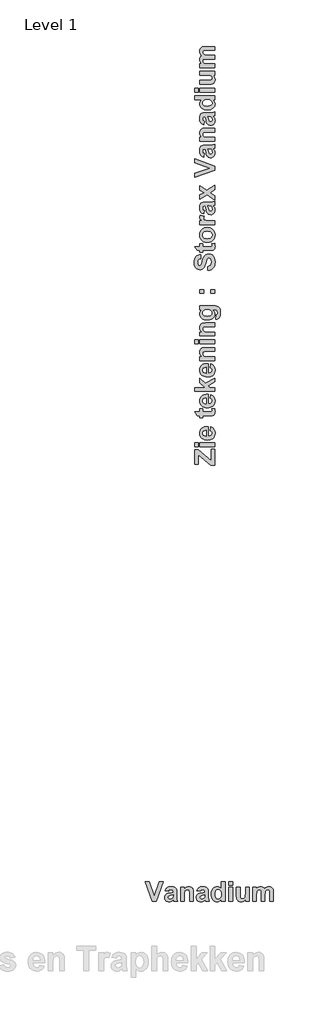
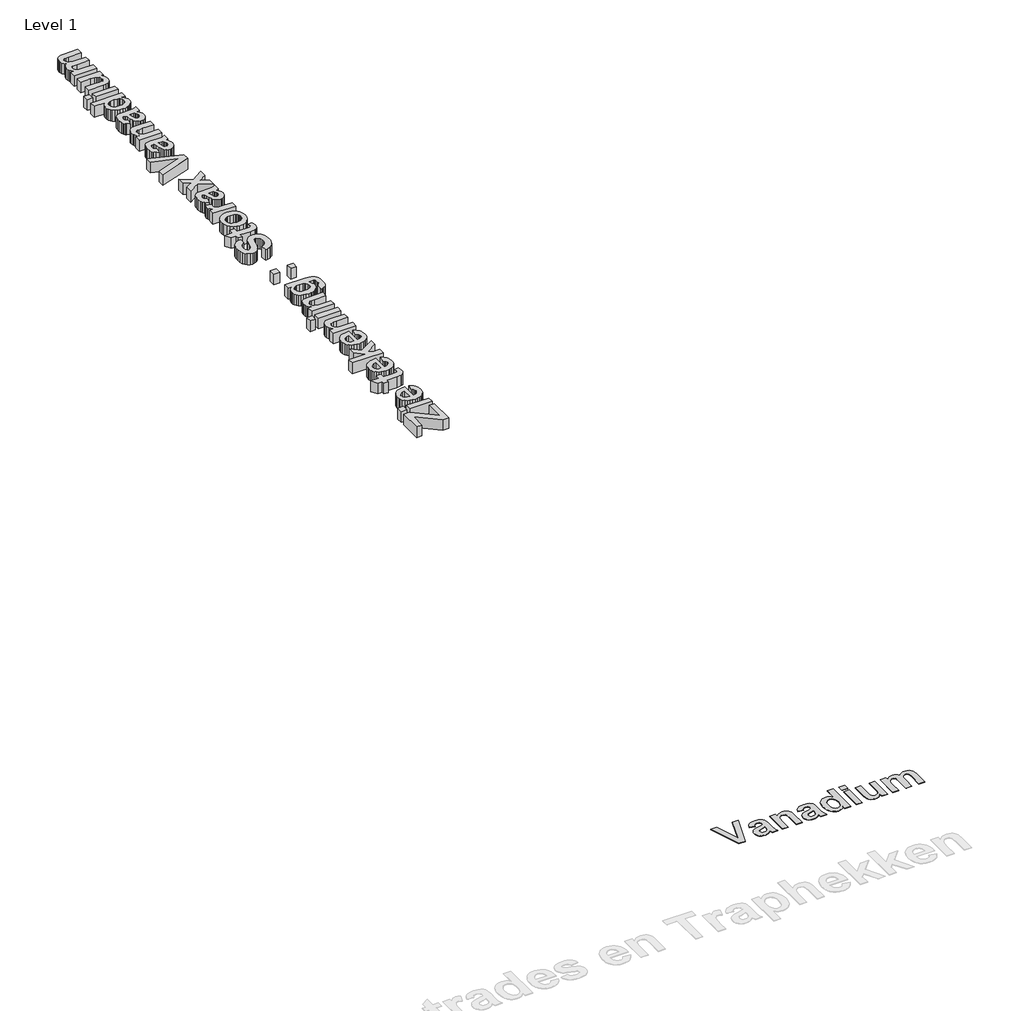
# One storey, part 10 of 16: 2 proxies.
"""IFC4 building model written with IfcOpenShell, lengths in millimetres."""

from ifc_helpers import new_model, si_unit, origin, origin_with_axes, place, context, project, spatial, polyline, outline, extrude, element, save

model = new_model("IFC4")

# Units and contexts
model_context = context("Model", 3, world=origin())
ifc_project = project(units=[si_unit("LENGTHUNIT", "METRE", prefix="MILLI")], contexts=[model_context])

# Site, building, storey
site = spatial("IfcSite", under=ifc_project)
building = spatial("IfcBuilding", under=site)
storey = spatial("IfcBuildingStorey", under=building, Name="Level 1", Elevation=0.0)

# Proxies
placement = place(None, origin())
element("IfcBuildingElementProxy", 1, Name="400mm", ObjectType="400mm", at=placement, inside=storey, context=model_context, shape_type="SweptSolid", body=[
    extrude(outline(polyline([(28361.5575428, -15738.0938306), (28226.7361143, -15338.0938306), (28307.0932571, -15338.0938306), (28407.6884952, -15636.506529), (28508.5813524, -15338.0938306), (28588.6408762, -15338.0938306), (28446.6765904, -15738.0938306), (28361.5575428, -15738.0938306)])), origin_with_axes(), (0.0, 0.0, 1.0), 5.0),
    extrude(outline(polyline([(28696.5773841, -15534.9192274), (28626.7361143, -15522.2208147), (28641.8774833, -15485.6136718), (28652.4708613, -15471.4023623), (28665.0793682, -15459.9192274), (28680.341645, -15451.0650607), (28698.8963325, -15444.740656), (28745.8829397, -15439.6811322), (28788.3680587, -15442.7441282), (28818.4027809, -15451.9331163), (28838.6904793, -15465.8220052), (28851.934527, -15482.9847036), (28859.2261936, -15509.6588107), (28861.6567492, -15552.0819258), (28861.6567492, -15642.1612909), (28865.6746063, -15698.9073226), (28880.7043682, -15738.0938306), (28804.513892, -15738.0938306), (28797.3710349, -15713.8874814), (28794.6924635, -15704.2644655), (28774.9752016, -15721.8115885), (28753.9186539, -15734.3735925), (28731.4732174, -15741.9256758), (28707.5892889, -15744.4430369), (28687.013272, -15742.9146391), (28668.7376024, -15738.3294456), (28652.7622799, -15730.6874566), (28639.0873047, -15719.9886718), (28628.1281033, -15706.9585379), (28620.3001024, -15692.3225012), (28615.6033018, -15676.0805617), (28614.0377016, -15658.2327195), (28616.8278801, -15634.8696242), (28625.1984158, -15614.1851004), (28638.6036738, -15597.0968068), (28656.498019, -15584.522402), (28681.076392, -15574.8745845), (28714.5337333, -15566.5660528), (28757.8621063, -15556.7694258), (28785.466273, -15547.6176401), (28785.466273, -15539.5819258), (28783.0977214, -15519.7902591), (28775.9920666, -15506.6454179), (28762.3387928, -15499.2793464), (28740.3273841, -15496.8239893), (28724.528773, -15498.9321242), (28712.6488127, -15505.256529), (28703.6706381, -15516.8884734), (28696.5773841, -15534.9192274)]), holes=[polyline([(28785.466273, -15604.7604972), (28742.5099238, -15615.3259734), (28704.0178603, -15627.3795449), (28693.6755984, -15638.2178385), (28690.2281778, -15651.6851004), (28692.9935547, -15665.1895647), (28701.2896857, -15676.7347036), (28713.8516897, -15684.6588107), (28729.4146857, -15687.3001798), (28748.0902809, -15684.2247829), (28765.8234158, -15674.9985925), (28776.4880984, -15664.631529), (28782.6884952, -15652.1811322), (28785.466273, -15618.5501798), (28785.466273, -15604.7604972)])]), origin_with_axes(), (0.0, 0.0, 1.0), 5.0),
    extrude(outline(polyline([(29198.1646857, -15738.0938306), (29121.9742095, -15738.0938306), (29121.9742095, -15587.9946242), (29120.7837333, -15548.7089099), (29117.2123047, -15526.288275), (29110.9375031, -15513.8626798), (29101.6369079, -15504.5620845), (29089.7569476, -15498.7585131), (29075.7440508, -15496.8239893), (29057.3040706, -15499.5893663), (29040.873019, -15507.8854972), (29027.8769873, -15520.757521), (29019.7420666, -15537.2505766), (29015.4637928, -15563.3046441), (29014.0377016, -15604.8597036), (29014.0377016, -15738.0938306), (28937.8472254, -15738.0938306), (28937.8472254, -15446.0303385), (29014.0377016, -15446.0303385), (29014.0377016, -15488.0938306), (29033.3147353, -15466.913275), (29054.935519, -15451.7843068), (29078.9000528, -15442.7069258), (29105.2083365, -15439.6811322), (29128.373019, -15441.9876798), (29149.4543682, -15448.9073226), (29167.0634952, -15459.3983941), (29179.8115111, -15472.4192274), (29188.5540706, -15487.6598028), (29194.1468285, -15504.8101004), (29198.1646857, -15556.7446242), (29198.1646857, -15738.0938306)])), origin_with_axes(), (0.0, 0.0, 1.0), 5.0),
    extrude(outline(polyline([(29337.8472254, -15534.9192274), (29268.0059555, -15522.2208147), (29283.1473246, -15485.6136718), (29293.7407026, -15471.4023623), (29306.3492095, -15459.9192274), (29321.6114863, -15451.0650607), (29340.1661738, -15444.740656), (29387.1527809, -15439.6811322), (29429.6379, -15442.7441282), (29459.6726222, -15451.9331163), (29479.9603206, -15465.8220052), (29493.2043682, -15482.9847036), (29500.4960349, -15509.6588107), (29502.9265904, -15552.0819258), (29502.9265904, -15642.1612909), (29506.9444476, -15698.9073226), (29521.9742095, -15738.0938306), (29445.7837333, -15738.0938306), (29438.6408762, -15713.8874814), (29435.9623047, -15704.2644655), (29416.2450428, -15721.8115885), (29395.1884952, -15734.3735925), (29372.7430587, -15741.9256758), (29348.8591301, -15744.4430369), (29328.2831133, -15742.9146391), (29310.0074436, -15738.3294456), (29294.0321212, -15730.6874566), (29280.357146, -15719.9886718), (29269.3979446, -15706.9585379), (29261.5699436, -15692.3225012), (29256.873143, -15676.0805617), (29255.3075428, -15658.2327195), (29258.0977214, -15634.8696242), (29266.4682571, -15614.1851004), (29279.8735151, -15597.0968068), (29297.7678603, -15584.522402), (29322.3462333, -15574.8745845), (29355.8035746, -15566.5660528), (29399.1319476, -15556.7694258), (29426.7361143, -15547.6176401), (29426.7361143, -15539.5819258), (29424.3675627, -15519.7902591), (29417.2619079, -15506.6454179), (29403.6086341, -15499.2793464), (29381.5972254, -15496.8239893), (29365.7986143, -15498.9321242), (29353.9186539, -15505.256529), (29344.9404793, -15516.8884734), (29337.8472254, -15534.9192274)]), holes=[polyline([(29426.7361143, -15604.7604972), (29383.7797651, -15615.3259734), (29345.2877016, -15627.3795449), (29334.9454397, -15638.2178385), (29331.498019, -15651.6851004), (29334.263396, -15665.1895647), (29342.559527, -15676.7347036), (29355.1215309, -15684.6588107), (29370.684527, -15687.3001798), (29389.3601222, -15684.2247829), (29407.0932571, -15674.9985925), (29417.7579397, -15664.631529), (29423.9583365, -15652.1811322), (29426.7361143, -15618.5501798), (29426.7361143, -15604.7604972)])]), origin_with_axes(), (0.0, 0.0, 1.0), 5.0),
    extrude(outline(polyline([(29839.434527, -15738.0938306), (29763.2440508, -15738.0938306), (29763.2440508, -15696.0303385), (29744.6552611, -15717.396906), (29723.0158762, -15732.4886718), (29699.7643881, -15741.4544456), (29676.3392889, -15744.4430369), (29653.2397105, -15741.913275), (29631.857642, -15734.3239893), (29612.1930835, -15721.6751798), (29594.2460349, -15703.9668464), (29579.2937779, -15681.726023), (29568.6135944, -15655.4797433), (29562.2054843, -15625.2280072), (29560.0694476, -15590.9708147), (29562.2023841, -15556.1369853), (29568.6011936, -15525.7426401), (29579.2658762, -15499.787779), (29594.1964317, -15478.272402), (29612.388396, -15461.3887214), (29632.8373047, -15449.3289496), (29655.5431579, -15442.0930865), (29680.5059555, -15439.6811322), (29703.6086341, -15442.1798921), (29725.0992095, -15449.6761718), (29744.9776817, -15462.1699714), (29763.2440508, -15479.6612909), (29763.2440508, -15338.0938306), (29839.434527, -15338.0938306), (29839.434527, -15738.0938306)]), holes=[polyline([(29636.2599238, -15586.506529), (29639.434527, -15627.9747829), (29648.9583365, -15656.1493861), (29659.0463821, -15669.7778583), (29670.9573444, -15679.5124814), (29684.6912234, -15685.3532552), (29700.248019, -15687.3001798), (29724.5535746, -15681.459406), (29744.8908762, -15663.9370845), (29752.9203901, -15650.8139447), (29758.6557571, -15634.8076202), (29763.2440508, -15594.1454179), (29758.7921658, -15549.6141679), (29753.2273097, -15532.7893911), (29745.4365111, -15519.5918464), (29725.1116103, -15502.5159536), (29699.7519873, -15496.8239893), (29674.9504, -15502.4539496), (29654.513892, -15519.3438306), (29646.5277809, -15531.9864397), (29640.8234158, -15547.3944258), (29636.2599238, -15586.506529)])]), origin_with_axes(), (0.0, 0.0, 1.0), 5.0),
    extrude(outline(polyline([(29915.6250031, -15407.9351004), (29915.6250031, -15338.0938306), (29991.8154793, -15338.0938306), (29991.8154793, -15407.9351004), (29915.6250031, -15407.9351004)])), origin_with_axes(), (0.0, 0.0, 1.0), 5.0),
    extrude(outline(polyline([(29915.6250031, -15738.0938306), (29915.6250031, -15446.0303385), (29991.8154793, -15446.0303385), (29991.8154793, -15738.0938306), (29915.6250031, -15738.0938306)])), origin_with_axes(), (0.0, 0.0, 1.0), 5.0),
    extrude(outline(polyline([(30252.1329397, -15738.0938306), (30252.1329397, -15695.2366877), (30234.5858166, -15715.710398), (30212.3015904, -15731.2981956), (30186.9419674, -15741.1568266), (30160.1686539, -15744.4430369), (30133.7053603, -15741.2188306), (30110.0694476, -15731.5462115), (30090.9226222, -15716.0328187), (30077.9265904, -15695.2862909), (30070.4861143, -15667.4465091), (30068.0059555, -15630.6533544), (30068.0059555, -15446.0303385), (30144.1964317, -15446.0303385), (30144.1964317, -15581.0501798), (30145.2256976, -15631.037779), (30148.3134952, -15656.9926401), (30154.1418682, -15669.4926401), (30163.3928603, -15679.115656), (30175.8308563, -15685.2540488), (30191.2202412, -15687.3001798), (30209.4618087, -15684.5720052), (30225.6944476, -15676.3874814), (30238.5168682, -15664.147898), (30246.5277809, -15649.2545449), (30250.73165, -15621.3155568), (30252.1329397, -15569.9390687), (30252.1329397, -15446.0303385), (30328.3234158, -15446.0303385), (30328.3234158, -15738.0938306), (30252.1329397, -15738.0938306)])), origin_with_axes(), (0.0, 0.0, 1.0), 5.0),
    extrude(outline(polyline([(30398.1646857, -15446.0303385), (30474.3551619, -15446.0303385), (30474.3551619, -15485.1176401), (30493.1113623, -15465.2391679), (30513.5664714, -15451.0402591), (30535.7204893, -15442.5209139), (30559.5734158, -15439.6811322), (30584.1145865, -15442.4713107), (30605.1587333, -15450.8418464), (30622.7306579, -15464.8671441), (30636.8551619, -15484.6216083), (30656.3616103, -15464.8671441), (30677.3809555, -15450.8418464), (30699.888396, -15442.4713107), (30723.8591301, -15439.6811322), (30752.8025825, -15442.9425409), (30776.934527, -15452.7267671), (30795.9325428, -15468.835398), (30809.4742095, -15491.070021), (30815.2777809, -15515.4995845), (30817.2123047, -15551.4866877), (30817.2123047, -15738.0938306), (30741.0218285, -15738.0938306), (30741.0218285, -15569.9390687), (30739.0873047, -15533.9519655), (30733.2837333, -15513.490656), (30720.138892, -15500.990656), (30701.3392889, -15496.8239893), (30686.1235151, -15499.3165488), (30671.8254, -15506.7942274), (30659.9206381, -15519.0834139), (30651.8849238, -15536.0104972), (30647.3090309, -15560.8368861), (30645.7837333, -15596.8239893), (30645.7837333, -15738.0938306), (30569.5932571, -15738.0938306), (30569.5932571, -15576.8835131), (30565.6250031, -15521.4767671), (30560.5778801, -15510.6136718), (30553.373019, -15502.9251798), (30543.5887928, -15498.3492869), (30530.8035746, -15496.8239893), (30514.5089317, -15499.2421441), (30499.9504, -15506.4966083), (30488.1944476, -15518.3269655), (30480.3075428, -15534.4727988), (30475.8432571, -15558.7907552), (30474.3551619, -15595.1374814), (30474.3551619, -15738.0938306), (30398.1646857, -15738.0938306), (30398.1646857, -15446.0303385)])), origin_with_axes(), (0.0, 0.0, 1.0), 5.0),
])
element("IfcBuildingElementProxy", 2, Name="400mm", ObjectType="400mm", at=placement, inside=storey, context=model_context, shape_type="SweptSolid", body=[
    extrude(outline(polyline([(29629.0381866, -6913.9641128), (29551.304137, -6913.9641128), (29292.1906386, -6695.2358823), (29292.1906386, -6888.0527629), (29220.9344266, -6888.0527629), (29220.9344266, -6596.5500772), (29292.1906386, -6596.5500772), (29557.7819745, -6820.7439831), (29557.7819745, -6590.0722398), (29629.0381866, -6590.0722398), (29629.0381866, -6913.9641128)])), origin_with_axes(), (0.0, 0.0, 1.0), 150.0),
    extrude(outline(polyline([(29629.0381866, -6538.2495401), (29331.0576634, -6538.2495401), (29331.0576634, -6460.5154906), (29629.0381866, -6460.5154906), (29629.0381866, -6538.2495401)])), origin_with_axes(), (0.0, 0.0, 1.0), 150.0),
    extrude(outline(polyline([(29292.1906386, -6538.2495401), (29220.9344266, -6538.2495401), (29220.9344266, -6460.5154906), (29292.1906386, -6460.5154906), (29292.1906386, -6538.2495401)])), origin_with_axes(), (0.0, 0.0, 1.0), 150.0),
    extrude(outline(polyline([(29538.3484621, -6214.3576671), (29551.304137, -6136.6236176), (29587.5774964, -6155.5510489), (29602.0229474, -6168.2030752), (29614.0075793, -6182.9806419), (29623.4175239, -6199.8141629), (29630.1389129, -6218.634052), (29635.516024, -6262.2329346), (29632.3466914, -6297.4371977), (29622.8386937, -6327.7451267), (29606.9920308, -6353.1567215), (29584.8067027, -6373.6719821), (29563.1780637, -6386.1595321), (29538.8798472, -6395.0792106), (29511.9120532, -6400.4310177), (29482.2746816, -6402.2149534), (29447.329785, -6399.8490245), (29416.3829287, -6392.7512378), (29389.4341127, -6380.9215932), (29366.483337, -6364.3600908), (29348.1505509, -6344.1801088), (29335.0557037, -6321.4950257), (29327.1987954, -6296.3048414), (29324.5798259, -6268.6095558), (29327.2683815, -6237.8335019), (29335.3340483, -6210.4861471), (29348.7768262, -6186.5674914), (29367.5967153, -6166.0775348), (29391.970844, -6149.7500948), (29422.0763405, -6138.3189891), (29457.913205, -6131.7842175), (29499.4814374, -6130.1457801), (29499.4814374, -6324.4809039), (29532.2248814, -6319.4960056), (29556.7698124, -6306.1607698), (29572.1040683, -6286.499521), (29577.2154869, -6262.5365832), (29574.9128181, -6246.2154693), (29568.0048117, -6232.6778012), (29555.9853868, -6222.024795), (29538.3484621, -6214.3576671)]), holes=[polyline([(29454.1365751, -6207.8798296), (29423.4048033, -6212.6116875), (29401.0486728, -6225.1878016), (29387.4224405, -6243.4573276), (29382.8803631, -6265.2694209), (29387.662829, -6288.2961087), (29402.0102268, -6306.9704995), (29424.6573539, -6319.217661), (29454.1365751, -6323.1650932), (29454.1365751, -6207.8798296)])]), origin_with_axes(), (0.0, 0.0, 1.0), 150.0),
    extrude(outline(polyline([(29331.0576634, -5773.8647198), (29389.3582005, -5773.8647198), (29389.3582005, -5832.165257), (29517.1942742, -5832.165257), (29562.3873121, -5830.3939733), (29573.0150142, -5822.3472846), (29577.2154869, -5807.0636368), (29569.7254873, -5770.6258011), (29624.9895382, -5767.3868824), (29632.8844026, -5797.3721847), (29635.516024, -5831.0518786), (29633.6941322, -5851.7505936), (29628.2284569, -5870.3237682), (29619.8781195, -5885.4935478), (29609.4022418, -5895.9820776), (29595.8139655, -5902.9027359), (29578.1264328, -5907.3689012), (29521.5465712, -5909.8993065), (29389.3582005, -5909.8993065), (29389.3582005, -5948.7663312), (29331.0576634, -5948.7663312), (29331.0576634, -5909.8993065), (29272.7571263, -5909.8993065), (29227.412264, -5832.165257), (29331.0576634, -5832.165257), (29331.0576634, -5773.8647198)])), origin_with_axes(), (0.0, 0.0, 1.0), 150.0),
    extrude(outline(polyline([(29538.3484621, -5560.0960836), (29551.304137, -5482.3620341), (29587.5774964, -5501.2894654), (29602.0229474, -5513.9414917), (29614.0075793, -5528.7190584), (29623.4175239, -5545.5525794), (29630.1389129, -5564.3724685), (29635.516024, -5607.9713511), (29632.3466914, -5643.1756143), (29622.8386937, -5673.4835432), (29606.9920308, -5698.895138), (29584.8067027, -5719.4103987), (29563.1780637, -5731.8979486), (29538.8798472, -5740.8176271), (29511.9120532, -5746.1694343), (29482.2746816, -5747.95337), (29447.329785, -5745.5874411), (29416.3829287, -5738.4896543), (29389.4341127, -5726.6600097), (29366.483337, -5710.0985073), (29348.1505509, -5689.9185254), (29335.0557037, -5667.2334422), (29327.1987954, -5642.0432579), (29324.5798259, -5614.3479724), (29327.2683815, -5583.5719184), (29335.3340483, -5556.2245636), (29348.7768262, -5532.3059079), (29367.5967153, -5511.8159513), (29391.970844, -5495.4885114), (29422.0763405, -5484.0574056), (29457.913205, -5477.5226341), (29499.4814374, -5475.8841967), (29499.4814374, -5670.2193205), (29532.2248814, -5665.2344221), (29556.7698124, -5651.8991864), (29572.1040683, -5632.2379375), (29577.2154869, -5608.2749997), (29574.9128181, -5591.9538858), (29568.0048117, -5578.4162177), (29555.9853868, -5567.7632116), (29538.3484621, -5560.0960836)]), holes=[polyline([(29454.1365751, -5553.6182462), (29423.4048033, -5558.350104), (29401.0486728, -5570.9262181), (29387.4224405, -5589.1957441), (29382.8803631, -5611.0078374), (29387.662829, -5634.0345253), (29402.0102268, -5652.7089161), (29424.6573539, -5664.9560775), (29454.1365751, -5668.9035097), (29454.1365751, -5553.6182462)])]), origin_with_axes(), (0.0, 0.0, 1.0), 150.0),
    extrude(outline(polyline([(29629.0381866, -5417.5836595), (29220.9344266, -5417.5836595), (29220.9344266, -5339.84961), (29436.0188735, -5339.84961), (29331.0576634, -5245.9209668), (29331.0576634, -5155.2312424), (29440.573603, -5255.131642), (29629.0381866, -5148.7534049), (29629.0381866, -5226.4874544), (29495.5340052, -5305.1324499), (29533.5913002, -5339.84961), (29629.0381866, -5339.84961), (29629.0381866, -5417.5836595)])), origin_with_axes(), (0.0, 0.0, 1.0), 150.0),
    extrude(outline(polyline([(29538.3484621, -4938.2236875), (29551.304137, -4860.4896379), (29587.5774964, -4879.4170693), (29602.0229474, -4892.0690956), (29614.0075793, -4906.8466623), (29623.4175239, -4923.6801832), (29630.1389129, -4942.5000724), (29635.516024, -4986.0989549), (29632.3466914, -5021.3032181), (29622.8386937, -5051.6111471), (29606.9920308, -5077.0227419), (29584.8067027, -5097.5380025), (29563.1780637, -5110.0255524), (29538.8798472, -5118.945231), (29511.9120532, -5124.2970381), (29482.2746816, -5126.0809738), (29447.329785, -5123.7150449), (29416.3829287, -5116.6172581), (29389.4341127, -5104.7876136), (29366.483337, -5088.2261112), (29348.1505509, -5068.0461292), (29335.0557037, -5045.3610461), (29327.1987954, -5020.1708617), (29324.5798259, -4992.4755762), (29327.2683815, -4961.6995222), (29335.3340483, -4934.3521674), (29348.7768262, -4910.4335117), (29367.5967153, -4889.9435551), (29391.970844, -4873.6161152), (29422.0763405, -4862.1850095), (29457.913205, -4855.6502379), (29499.4814374, -4854.0118005), (29499.4814374, -5048.3469243), (29532.2248814, -5043.3620259), (29556.7698124, -5030.0267902), (29572.1040683, -5010.3655414), (29577.2154869, -4986.4026036), (29574.9128181, -4970.0814897), (29568.0048117, -4956.5438215), (29555.9853868, -4945.8908154), (29538.3484621, -4938.2236875)]), holes=[polyline([(29454.1365751, -4931.74585), (29423.4048033, -4936.4777078), (29401.0486728, -4949.053822), (29387.4224405, -4967.3233479), (29382.8803631, -4989.1354413), (29387.662829, -5012.1621291), (29402.0102268, -5030.8365199), (29424.6573539, -5043.0836814), (29454.1365751, -5047.0311136), (29454.1365751, -4931.74585)])]), origin_with_axes(), (0.0, 0.0, 1.0), 150.0),
    extrude(outline(polyline([(29629.0381866, -4530.1199275), (29629.0381866, -4607.853977), (29475.8980604, -4607.853977), (29435.8164411, -4609.0685715), (29412.9415775, -4612.7123551), (29400.2642472, -4619.1142804), (29390.7752275, -4628.6033001), (29384.8540792, -4640.7239413), (29382.8803631, -4655.020731), (29385.7017649, -4673.8342941), (29394.1659705, -4690.5982289), (29407.2987738, -4703.8575525), (29424.1259688, -4712.1572817), (29450.707876, -4716.5222308), (29493.1048161, -4717.9772138), (29629.0381866, -4717.9772138), (29629.0381866, -4795.7112633), (29331.0576634, -4795.7112633), (29331.0576634, -4717.9772138), (29373.9733366, -4717.9772138), (29352.3636757, -4698.309639), (29336.9282036, -4676.2508311), (29327.6669204, -4651.8007903), (29324.5798259, -4624.9595165), (29326.9331028, -4601.3255314), (29333.9929335, -4579.8170867), (29344.6965477, -4561.8512094), (29357.9811753, -4548.8449264), (29373.5305157, -4539.9252479), (29391.028268, -4534.219184), (29444.0149541, -4530.1199275), (29629.0381866, -4530.1199275)])), origin_with_axes(), (0.0, 0.0, 1.0), 150.0),
    extrude(outline(polyline([(29629.0381866, -4452.385878), (29331.0576634, -4452.385878), (29331.0576634, -4374.6518284), (29629.0381866, -4374.6518284), (29629.0381866, -4452.385878)])), origin_with_axes(), (0.0, 0.0, 1.0), 150.0),
    extrude(outline(polyline([(29292.1906386, -4452.385878), (29220.9344266, -4452.385878), (29220.9344266, -4374.6518284), (29292.1906386, -4374.6518284), (29292.1906386, -4452.385878)])), origin_with_axes(), (0.0, 0.0, 1.0), 150.0),
    extrude(outline(polyline([(29629.0381866, -4031.3264431), (29629.0381866, -4109.0604926), (29475.8980604, -4109.0604926), (29435.8164411, -4110.2750871), (29412.9415775, -4113.9188707), (29400.2642472, -4120.320796), (29390.7752275, -4129.8098157), (29384.8540792, -4141.9304569), (29382.8803631, -4156.2272466), (29385.7017649, -4175.0408097), (29394.1659705, -4191.8047445), (29407.2987738, -4205.0640681), (29424.1259688, -4213.3637973), (29450.707876, -4217.7287464), (29493.1048161, -4219.1837294), (29629.0381866, -4219.1837294), (29629.0381866, -4296.9177789), (29331.0576634, -4296.9177789), (29331.0576634, -4219.1837294), (29373.9733366, -4219.1837294), (29352.3636757, -4199.5161545), (29336.9282036, -4177.4573467), (29327.6669204, -4153.0073059), (29324.5798259, -4126.1660321), (29326.9331028, -4102.532047), (29333.9929335, -4081.0236023), (29344.6965477, -4063.057725), (29357.9811753, -4050.051442), (29373.5305157, -4041.1317634), (29391.028268, -4035.4256996), (29444.0149541, -4031.3264431), (29629.0381866, -4031.3264431)])), origin_with_axes(), (0.0, 0.0, 1.0), 150.0),
    extrude(outline(polyline([(29648.4716989, -3960.070231), (29661.4273739, -3869.3805066), (29672.8648056, -3865.9138514), (29680.0511566, -3859.7649666), (29685.5168319, -3846.2779066), (29687.3387237, -3826.8696982), (29685.0360549, -3801.71747), (29678.1280486, -3783.7515926), (29670.0560558, -3775.3000391), (29658.1884551, -3769.1764583), (29621.9530518, -3765.7351072), (29578.5312976, -3765.7351072), (29600.6280615, -3785.7822429), (29616.4114643, -3807.4614899), (29625.881506, -3830.7728483), (29629.0381866, -3855.7163182), (29625.868854, -3882.9624568), (29616.3608562, -3907.2100652), (29600.5141933, -3928.4591433), (29578.3288652, -3946.7096912), (29557.060809, -3958.2230352), (29533.3382597, -3966.4468522), (29507.1612173, -3971.3811425), (29478.5296818, -3973.0259059), (29443.2906256, -3970.8718984), (29412.4734526, -3964.409876), (29386.0781627, -3953.6398386), (29364.1047561, -3938.5617863), (29346.8125991, -3920.2764453), (29334.4610585, -3899.8845419), (29327.0501341, -3877.3860762), (29324.5798259, -3852.7810481), (29327.50877, -3827.5276036), (29336.2956023, -3804.602132), (29350.9403227, -3784.0046332), (29371.4429313, -3765.7351072), (29331.0576634, -3765.7351072), (29331.0576634, -3688.0010577), (29595.7380534, -3688.0010577), (29641.298, -3690.1139461), (29673.7251434, -3696.4526112), (29696.7897873, -3706.5995363), (29714.2622356, -3720.1372045), (29727.3570829, -3737.9259534), (29737.2889235, -3760.826121), (29743.5516765, -3789.6600889), (29745.6392608, -3825.2502389), (29744.0830616, -3859.3664278), (29739.4144639, -3888.1308095), (29731.6334677, -3911.5433842), (29720.7400731, -3929.6041517), (29707.4554455, -3943.0659077), (29692.5007504, -3952.6814476), (29675.8759879, -3958.4507716), (29657.5811579, -3960.3738796), (29648.4716989, -3960.070231)]), holes=[polyline([(29475.5944117, -3895.2918564), (29518.3582606, -3890.8003871), (29534.7679387, -3885.1860504), (29547.8627859, -3877.3259791), (29565.0189335, -3857.2472133), (29570.7376494, -3832.9426708), (29564.8671092, -3806.8921487), (29547.2554886, -3785.2192277), (29534.1037073, -3776.694925), (29518.1305241, -3770.6061373), (29477.7199521, -3765.7351072), (29435.7531809, -3770.4037049), (29419.428904, -3776.239452), (29406.2106996, -3784.409498), (29388.7129472, -3805.5510339), (29382.8803631, -3831.6268601), (29388.599079, -3856.9182607), (29405.7552266, -3877.3259791), (29418.6982495, -3885.1860504), (29434.6524547, -3890.8003871), (29475.5944117, -3895.2918564)])]), origin_with_axes(), (0.0, 0.0, 1.0), 150.0),
    extrude(outline(polyline([(29408.7917129, -3435.3653967), (29331.0576634, -3435.3653967), (29331.0576634, -3357.6313472), (29408.7917129, -3357.6313472), (29408.7917129, -3435.3653967)])), origin_with_axes(), (0.0, 0.0, 1.0), 150.0),
    extrude(outline(polyline([(29629.0381866, -3435.3653967), (29551.304137, -3435.3653967), (29551.304137, -3357.6313472), (29629.0381866, -3357.6313472), (29629.0381866, -3435.3653967)])), origin_with_axes(), (0.0, 0.0, 1.0), 150.0),
    extrude(outline(polyline([(29493.0035999, -2968.9610996), (29486.5257624, -2891.2270501), (29521.2935307, -2879.8908345), (29545.4335968, -2860.862187), (29559.5532582, -2834.0145872), (29564.259812, -2799.2215149), (29560.0972953, -2763.1126319), (29547.6097454, -2737.175978), (29529.5553039, -2721.5380735), (29508.6921125, -2716.3254387), (29495.470745, -2718.4889352), (29484.3496139, -2724.9794247), (29474.9491584, -2736.8849814), (29466.8898176, -2755.2936796), (29449.5818457, -2822.7036757), (29431.6918805, -2880.2450913), (29421.2476328, -2901.4625394), (29409.803875, -2917.644481), (29392.0847122, -2934.4273939), (29372.5310056, -2946.4151888), (29351.1427551, -2953.6078657), (29327.9199609, -2956.0054247), (29297.8587464, -2951.6025195), (29269.8218562, -2938.3938041), (29246.0107427, -2916.8853594), (29228.6268586, -2887.5832665), (29217.9991565, -2850.9683024), (29214.4565891, -2807.5212442), (29216.6643677, -2771.5800005), (29223.2877035, -2740.3769406), (29234.3265964, -2713.9120647), (29249.7810465, -2692.1853725), (29268.9172363, -2675.1272781), (29291.0013482, -2662.6681952), (29316.0333822, -2654.8081238), (29344.0133383, -2651.5470641), (29344.0133383, -2729.2811136), (29317.3049108, -2737.8718394), (29299.3263815, -2752.7126663), (29289.1161963, -2775.1700129), (29285.7128012, -2806.6102983), (29289.3312807, -2839.707999), (29300.1867193, -2864.708403), (29311.0674619, -2874.8806321), (29325.085907, -2878.2713752), (29338.3199265, -2875.1842808), (29349.4790137, -2865.9229975), (29362.5485568, -2839.0374417), (29376.0482689, -2789.7577993), (29390.0920181, -2737.163326), (29404.7936726, -2700.3332774), (29422.5950736, -2674.5231438), (29445.9380621, -2654.9884152), (29475.1136347, -2642.6906457), (29510.4127881, -2638.5913892), (29544.1177861, -2643.4371152), (29575.5960275, -2657.9742934), (29602.0640665, -2681.3805421), (29620.7384573, -2712.8334794), (29631.8216323, -2752.6747102), (29635.516024, -2801.2458391), (29633.2418223, -2837.5698066), (29626.4192171, -2869.4149568), (29615.0482085, -2896.7812896), (29599.1287964, -2919.6688052), (29578.8507613, -2938.2356538), (29554.4038835, -2952.6399857), (29525.788163, -2962.881801), (29493.0035999, -2968.9610996)])), origin_with_axes(), (0.0, 0.0, 1.0), 150.0),
    extrude(outline(polyline([(29331.0576634, -2431.3005904), (29389.3582005, -2431.3005904), (29389.3582005, -2489.6011276), (29517.1942742, -2489.6011276), (29562.3873121, -2487.8298439), (29573.0150142, -2479.7831552), (29577.2154869, -2464.4995074), (29569.7254873, -2428.0616717), (29624.9895382, -2424.822753), (29632.8844026, -2454.8080553), (29635.516024, -2488.4877493), (29633.6941322, -2509.1864643), (29628.2284569, -2527.7596389), (29619.8781195, -2542.9294184), (29609.4022418, -2553.4179482), (29595.8139655, -2560.3386066), (29578.1264328, -2564.8047718), (29521.5465712, -2567.3351771), (29389.3582005, -2567.3351771), (29389.3582005, -2606.2022019), (29331.0576634, -2606.2022019), (29331.0576634, -2567.3351771), (29272.7571263, -2567.3351771), (29227.412264, -2489.6011276), (29331.0576634, -2489.6011276), (29331.0576634, -2431.3005904)])), origin_with_axes(), (0.0, 0.0, 1.0), 150.0),
    extrude(outline(polyline([(29475.7968442, -2405.3892406), (29437.24612, -2400.5941226), (29399.9352945, -2386.2087687), (29367.5840633, -2363.0429086), (29343.9121221, -2331.9062719), (29329.4129, -2294.7346187), (29324.5798259, -2253.4637089), (29327.3189896, -2221.4762234), (29335.5364807, -2192.5188983), (29349.2322992, -2166.5917334), (29368.406445, -2143.6947288), (29391.7684116, -2124.9855449), (29418.0276921, -2111.6218422), (29447.1842867, -2103.6036205), (29479.2381953, -2100.93088), (29511.5483074, -2103.6320876), (29540.9674316, -2111.7357104), (29567.4955677, -2125.2417485), (29591.1327158, -2144.1502018), (29610.5504132, -2167.1515856), (29624.420197, -2192.9364151), (29632.7420673, -2221.5046905), (29635.516024, -2252.8564116), (29630.8980344, -2292.49521), (29617.0440656, -2330.2362044), (29594.2577663, -2362.6253917), (29562.842785, -2386.2087687), (29523.2166387, -2400.5941226), (29475.7968442, -2405.3892406)]), holes=[polyline([(29480.047925, -2327.6551911), (29521.6098313, -2322.2780799), (29538.2630609, -2315.5566909), (29552.1644748, -2306.1467464), (29563.1242926, -2294.7630857), (29570.9527339, -2282.1205485), (29575.6497986, -2268.2191346), (29577.2154869, -2253.0588441), (29575.6497986, -2237.9048796), (29570.9527339, -2224.0224437), (29563.1242926, -2211.4115365), (29552.1644748, -2200.072158), (29538.2251049, -2190.7064955), (29521.458007, -2184.0167366), (29479.4406277, -2178.6649295), (29438.3341943, -2184.0167366), (29421.7948329, -2190.7064955), (29407.9313751, -2200.072158), (29396.9715574, -2211.4115365), (29389.1431161, -2224.0224437), (29384.4460513, -2237.9048796), (29382.8803631, -2253.0588441), (29384.4460513, -2268.2191346), (29389.1431161, -2282.1205485), (29396.9715574, -2294.7630857), (29407.9313751, -2306.1467464), (29421.832789, -2315.5566909), (29438.4860186, -2322.2780799), (29480.047925, -2327.6551911)])]), origin_with_axes(), (0.0, 0.0, 1.0), 150.0),
    extrude(outline(polyline([(29629.0381866, -1964.8962933), (29629.0381866, -2042.6303428), (29331.0576634, -2042.6303428), (29331.0576634, -1964.8962933), (29372.5563096, -1964.8962933), (29348.1505509, -1948.4739632), (29333.8411092, -1933.8229167), (29326.8951468, -1919.0959581), (29324.5798259, -1902.4458915), (29328.6790825, -1878.1793051), (29340.976852, -1854.7730565), (29414.9659018, -1877.4454876), (29405.476882, -1896.1704865), (29402.3138755, -1913.4784585), (29404.5279801, -1928.4205015), (29411.1702939, -1940.8574434), (29423.5819317, -1950.8525441), (29443.1040082, -1958.469064), (29478.8333305, -1963.289486), (29539.8667053, -1964.8962933), (29629.0381866, -1964.8962933)])), origin_with_axes(), (0.0, 0.0, 1.0), 150.0),
    extrude(outline(polyline([(29421.7473878, -1757.6054946), (29408.7917129, -1828.8617066), (29371.4429313, -1813.4135825), (29356.9437092, -1802.6055891), (29345.2279328, -1789.7416414), (29336.1943861, -1774.17016), (29329.7418527, -1755.2395657), (29324.5798259, -1707.3010381), (29327.7048764, -1663.955196), (29337.0800279, -1633.3119883), (29351.2502974, -1612.6132733), (29368.7607017, -1599.1009092), (29395.9752103, -1591.6615178), (29439.2577922, -1589.1817206), (29531.1621112, -1589.1817206), (29589.0577835, -1585.0824641), (29629.0381866, -1569.7482082), (29629.0381866, -1647.4822578), (29604.3414312, -1654.7698249), (29594.5234588, -1657.5026626), (29612.426076, -1677.6193844), (29625.2425787, -1699.102525), (29632.9476627, -1722.0026926), (29635.516024, -1746.3704952), (29633.9566618, -1767.3633699), (29629.2785751, -1786.0092936), (29621.4817639, -1802.3082665), (29610.5662282, -1816.2602885), (29597.2721116, -1827.4415167), (29582.3395575, -1835.4281083), (29565.7685661, -1840.2200632), (29547.5591373, -1841.8173816), (29523.7227197, -1838.9706757), (29502.6191399, -1830.4305579), (29485.1846477, -1816.7537175), (29472.355493, -1798.4968436), (29462.5122165, -1773.4205274), (29454.0353589, -1739.2853605), (29444.0402582, -1695.0791807), (29434.7030628, -1666.9157701), (29426.5045497, -1666.9157701), (29406.3119158, -1669.3323072), (29392.9007679, -1676.5819182), (29385.3854643, -1690.5117992), (29382.8803631, -1712.9691458), (29385.0312076, -1729.0878273), (29391.483741, -1741.2084685), (29403.3513416, -1750.3685355), (29421.7473878, -1757.6054946)]), holes=[polyline([(29493.0035999, -1666.9157701), (29503.7831263, -1710.7423892), (29516.0808959, -1750.0142788), (29527.1387668, -1760.5660687), (29540.8788674, -1764.083332), (29554.656924, -1761.2619302), (29566.4359605, -1752.7977246), (29574.5206053, -1739.981222), (29577.2154869, -1724.102929), (29574.0777844, -1705.0489774), (29564.6646768, -1686.9565798), (29554.0875828, -1676.0758372), (29541.3849484, -1669.749824), (29507.0726531, -1666.9157701), (29493.0035999, -1666.9157701)])]), origin_with_axes(), (0.0, 0.0, 1.0), 150.0),
    extrude(outline(polyline([(29629.0381866, -1547.0757771), (29475.5944117, -1441.8109184), (29331.0576634, -1534.1201022), (29331.0576634, -1441.7097022), (29412.9415775, -1396.7697048), (29331.0576634, -1347.9834914), (29331.0576634, -1255.5730914), (29472.1530606, -1350.6151129), (29629.0381866, -1242.6174165), (29629.0381866, -1335.0278165), (29536.7290028, -1396.7697048), (29629.0381866, -1454.6653771), (29629.0381866, -1547.0757771)])), origin_with_axes(), (0.0, 0.0, 1.0), 150.0),
    extrude(outline(polyline([(29629.0381866, -946.3575689), (29220.9344266, -1083.9103987), (29220.9344266, -1001.9252684), (29525.3927872, -899.2920311), (29220.9344266, -796.3551452), (29220.9344266, -714.6736635), (29629.0381866, -859.5140605), (29629.0381866, -946.3575689)])), origin_with_axes(), (0.0, 0.0, 1.0), 150.0),
    extrude(outline(polyline([(29421.7473878, -604.5504267), (29408.7917129, -675.8066388), (29371.4429313, -660.3585147), (29356.9437092, -649.5505212), (29345.2279328, -636.6865735), (29336.1943861, -621.1150921), (29329.7418527, -602.1844978), (29324.5798259, -554.2459702), (29327.7048764, -510.9001281), (29337.0800279, -480.2569204), (29351.2502974, -459.5582054), (29368.7607017, -446.0458413), (29395.9752103, -438.6064499), (29439.2577922, -436.1266527), (29531.1621112, -436.1266527), (29589.0577835, -432.0273962), (29629.0381866, -416.6931404), (29629.0381866, -494.4271899), (29604.3414312, -501.714757), (29594.5234588, -504.4475947), (29612.426076, -524.5643165), (29625.2425787, -546.0474571), (29632.9476627, -568.9476247), (29635.516024, -593.3154274), (29633.9566618, -614.308302), (29629.2785751, -632.9542257), (29621.4817639, -649.2531986), (29610.5662282, -663.2052206), (29597.2721116, -674.3864488), (29582.3395575, -682.3730404), (29565.7685661, -687.1649954), (29547.5591373, -688.7623137), (29523.7227197, -685.9156078), (29502.6191399, -677.37549), (29485.1846477, -663.6986496), (29472.355493, -645.4417757), (29462.5122165, -620.3654596), (29454.0353589, -586.2302926), (29444.0402582, -542.0241128), (29434.7030628, -513.8607023), (29426.5045497, -513.8607023), (29406.3119158, -516.2772393), (29392.9007679, -523.5268503), (29385.3854643, -537.4567313), (29382.8803631, -559.9140779), (29385.0312076, -576.0327594), (29391.483741, -588.1534006), (29403.3513416, -597.3134677), (29421.7473878, -604.5504267)]), holes=[polyline([(29493.0035999, -513.8607023), (29503.7831263, -557.6873213), (29516.0808959, -596.9592109), (29527.1387668, -607.5110008), (29540.8788674, -611.0282642), (29554.656924, -608.2068623), (29566.4359605, -599.7426567), (29574.5206053, -586.9261541), (29577.2154869, -571.0478611), (29574.0777844, -551.9939095), (29564.6646768, -533.9015119), (29554.0875828, -523.0207693), (29541.3849484, -516.6947561), (29507.0726531, -513.8607023), (29493.0035999, -513.8607023)])]), origin_with_axes(), (0.0, 0.0, 1.0), 150.0),
    extrude(outline(polyline([(29629.0381866, -92.8012674), (29629.0381866, -170.5353169), (29475.8980604, -170.5353169), (29435.8164411, -171.7499114), (29412.9415775, -175.393695), (29400.2642472, -181.7956203), (29390.7752275, -191.28464), (29384.8540792, -203.4052812), (29382.8803631, -217.7020709), (29385.7017649, -236.515634), (29394.1659705, -253.2795688), (29407.2987738, -266.5388924), (29424.1259688, -274.8386216), (29450.707876, -279.2035707), (29493.1048161, -280.6585537), (29629.0381866, -280.6585537), (29629.0381866, -358.3926032), (29331.0576634, -358.3926032), (29331.0576634, -280.6585537), (29373.9733366, -280.6585537), (29352.3636757, -260.9909788), (29336.9282036, -238.932171), (29327.6669204, -214.4821302), (29324.5798259, -187.6408564), (29326.9331028, -164.0068713), (29333.9929335, -142.4984266), (29344.6965477, -124.5325493), (29357.9811753, -111.5262663), (29373.5305157, -102.6065877), (29391.028268, -96.9005239), (29444.0149541, -92.8012674), (29629.0381866, -92.8012674)])), origin_with_axes(), (0.0, 0.0, 1.0), 150.0),
    extrude(outline(polyline([(29421.7473878, 49.7111568), (29408.7917129, -21.5450553), (29371.4429313, -6.0969312), (29356.9437092, 4.7110623), (29345.2279328, 17.57501), (29336.1943861, 33.1464913), (29329.7418527, 52.0770857), (29324.5798259, 100.0156133), (29327.7048764, 143.3614554), (29337.0800279, 174.004663), (29351.2502974, 194.703378), (29368.7607017, 208.2157421), (29395.9752103, 215.6551336), (29439.2577922, 218.1349307), (29531.1621112, 218.1349307), (29589.0577835, 222.2341872), (29629.0381866, 237.5684431), (29629.0381866, 159.8343936), (29604.3414312, 152.5468264), (29594.5234588, 149.8139888), (29612.426076, 129.697267), (29625.2425787, 108.2141263), (29632.9476627, 85.3139587), (29635.516024, 60.9461561), (29633.9566618, 39.9532815), (29629.2785751, 21.3073577), (29621.4817639, 5.0083849), (29610.5662282, -8.9436371), (29597.2721116, -20.1248653), (29582.3395575, -28.1114569), (29565.7685661, -32.9034119), (29547.5591373, -34.5007302), (29523.7227197, -31.6540243), (29502.6191399, -23.1139066), (29485.1846477, -9.4370661), (29472.355493, 8.8198078), (29462.5122165, 33.8961239), (29454.0353589, 68.0312908), (29444.0402582, 112.2374707), (29434.7030628, 140.4008812), (29426.5045497, 140.4008812), (29406.3119158, 137.9843442), (29392.9007679, 130.7347331), (29385.3854643, 116.8048522), (29382.8803631, 94.3475055), (29385.0312076, 78.228824), (29391.483741, 66.1081828), (29403.3513416, 56.9481158), (29421.7473878, 49.7111568)]), holes=[polyline([(29493.0035999, 140.4008812), (29503.7831263, 96.5742621), (29516.0808959, 57.3023725), (29527.1387668, 46.7505826), (29540.8788674, 43.2333193), (29554.656924, 46.0547212), (29566.4359605, 54.5189268), (29574.5206053, 67.3354294), (29577.2154869, 83.2137224), (29574.0777844, 102.267674), (29564.6646768, 120.3600716), (29554.0875828, 131.2408142), (29541.3849484, 137.5668273), (29507.0726531, 140.4008812), (29493.0035999, 140.4008812)])]), origin_with_axes(), (0.0, 0.0, 1.0), 150.0),
    extrude(outline(polyline([(29629.0381866, 561.4603161), (29629.0381866, 483.7262666), (29586.1225134, 483.7262666), (29607.9219547, 464.7608792), (29623.3194707, 442.6830933), (29632.4668857, 418.960544), (29635.516024, 395.0608664), (29632.9350107, 371.4933044), (29625.1919706, 349.6780481), (29612.2869038, 329.6150974), (29594.2198102, 311.3044523), (29571.5284011, 296.0492716), (29544.7503874, 285.152714), (29513.8857693, 278.6147794), (29478.9345467, 276.4354679), (29443.3950048, 278.6116164), (29412.3848884, 285.140062), (29385.9041974, 296.0208046), (29363.9529318, 311.2538442), (29346.727198, 329.8143668), (29334.4231024, 350.6775581), (29327.0406451, 373.8434183), (29324.5798259, 399.3119472), (29327.1292092, 422.8826722), (29334.7773591, 444.8086337), (29347.5242756, 465.0898319), (29365.3699587, 483.7262666), (29220.9344266, 483.7262666), (29220.9344266, 561.4603161), (29629.0381866, 561.4603161)]), holes=[polyline([(29474.3798172, 354.1695174), (29516.6881931, 357.4084361), (29545.4335968, 367.1251923), (29559.3381737, 377.4176157), (29569.2700144, 389.5698869), (29575.2291188, 403.5820061), (29577.2154869, 419.453973), (29571.2563825, 444.2519446), (29553.3790694, 465.0012677), (29539.9900625, 473.1934547), (29523.6594596, 479.0450169), (29482.1734654, 483.7262666), (29436.740039, 479.1841892), (29419.5744023, 473.5065924), (29406.1094834, 465.5579568), (29388.6876432, 444.8212858), (29382.8803631, 418.947892), (29388.624383, 393.6438394), (29405.8564428, 372.7933001), (29418.7551836, 364.6453952), (29434.4753263, 358.8254631), (29474.3798172, 354.1695174)])]), origin_with_axes(), (0.0, 0.0, 1.0), 150.0),
    extrude(outline(polyline([(29629.0381866, 639.1943656), (29331.0576634, 639.1943656), (29331.0576634, 716.9284152), (29629.0381866, 716.9284152), (29629.0381866, 639.1943656)])), origin_with_axes(), (0.0, 0.0, 1.0), 150.0),
    extrude(outline(polyline([(29292.1906386, 639.1943656), (29220.9344266, 639.1943656), (29220.9344266, 716.9284152), (29292.1906386, 716.9284152), (29292.1906386, 639.1943656)])), origin_with_axes(), (0.0, 0.0, 1.0), 150.0),
    extrude(outline(polyline([(29629.0381866, 982.519751), (29585.3127837, 982.519751), (29606.2012791, 964.6171338), (29622.1048762, 941.8814426), (29632.1632371, 916.0080488), (29635.516024, 888.6923241), (29632.2264972, 861.6929), (29622.3579167, 837.5781378), (29606.5302318, 818.0434093), (29585.3633918, 804.7840857), (29556.9595928, 797.1928699), (29519.4210308, 794.6624647), (29331.0576634, 794.6624647), (29331.0576634, 872.3965142), (29468.8129256, 872.3965142), (29519.8132436, 873.4466324), (29546.2939346, 876.5969869), (29559.0471771, 882.5434393), (29568.8651495, 891.9818509), (29575.1279025, 904.6718333), (29577.2154869, 920.3729979), (29574.4320411, 938.9841286), (29566.0817038, 955.545631), (29553.5941538, 968.6278261), (29538.3990702, 976.8010351), (29509.894055, 981.090072), (29457.4767101, 982.519751), (29331.0576634, 982.519751), (29331.0576634, 1060.2538005), (29629.0381866, 1060.2538005), (29629.0381866, 982.519751)])), origin_with_axes(), (0.0, 0.0, 1.0), 150.0),
    extrude(outline(polyline([(29331.0576634, 1131.5100126), (29331.0576634, 1209.2440621), (29370.9368503, 1209.2440621), (29350.6556521, 1228.3802519), (29336.169082, 1249.2497692), (29327.47714, 1271.8526142), (29324.5798259, 1296.1887868), (29327.4265319, 1321.2271468), (29335.9666496, 1342.6976354), (29350.2760913, 1360.6255567), (29370.4307692, 1375.0362146), (29350.2760913, 1394.937852), (29335.9666496, 1416.3830365), (29327.4265319, 1439.3464642), (29324.5798259, 1463.8028311), (29327.9073089, 1493.3326604), (29337.8897576, 1517.9535036), (29354.3247397, 1537.3364078), (29377.0098229, 1551.1524206), (29401.9343147, 1557.0735689), (29438.650495, 1559.047285), (29629.0381866, 1559.047285), (29629.0381866, 1481.3132354), (29457.4767101, 1481.3132354), (29420.7605298, 1479.3395193), (29399.8846864, 1473.418371), (29387.1314439, 1460.0072232), (29382.8803631, 1440.8267513), (29385.4234204, 1425.3027151), (29393.0525922, 1410.7149287), (29405.5907503, 1398.5689835), (29422.8607662, 1390.3704705), (29448.1901228, 1385.7018728), (29484.9063031, 1384.1456735), (29629.0381866, 1384.1456735), (29629.0381866, 1306.411624), (29464.5618448, 1306.411624), (29408.0325913, 1302.3629756), (29396.9494163, 1297.2136009), (29389.10516, 1289.8627736), (29384.4365623, 1279.8803249), (29382.8803631, 1266.8360858), (29385.3475082, 1250.2113232), (29392.7489436, 1235.3578444), (29404.8189767, 1223.3637235), (29421.2919149, 1215.3170347), (29446.1025385, 1210.7623053), (29483.1856275, 1209.2440621), (29629.0381866, 1209.2440621), (29629.0381866, 1131.5100126), (29331.0576634, 1131.5100126)])), origin_with_axes(), (0.0, 0.0, 1.0), 150.0),
])

save(model, "model.ifc")
